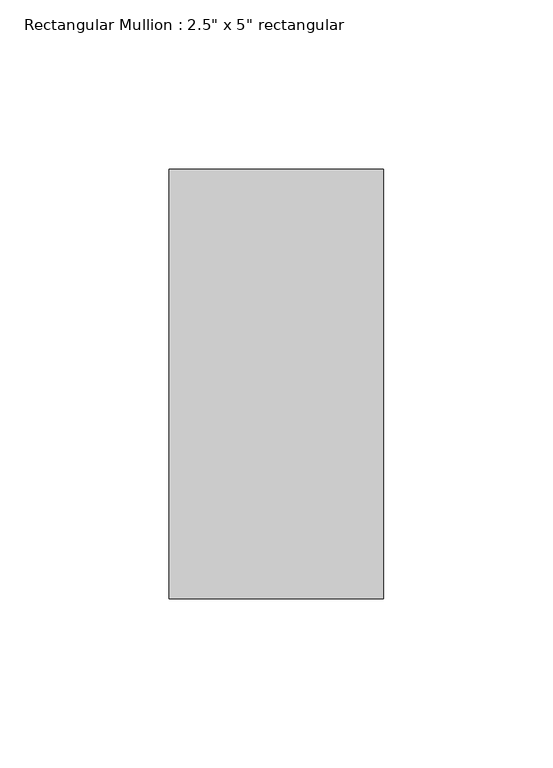
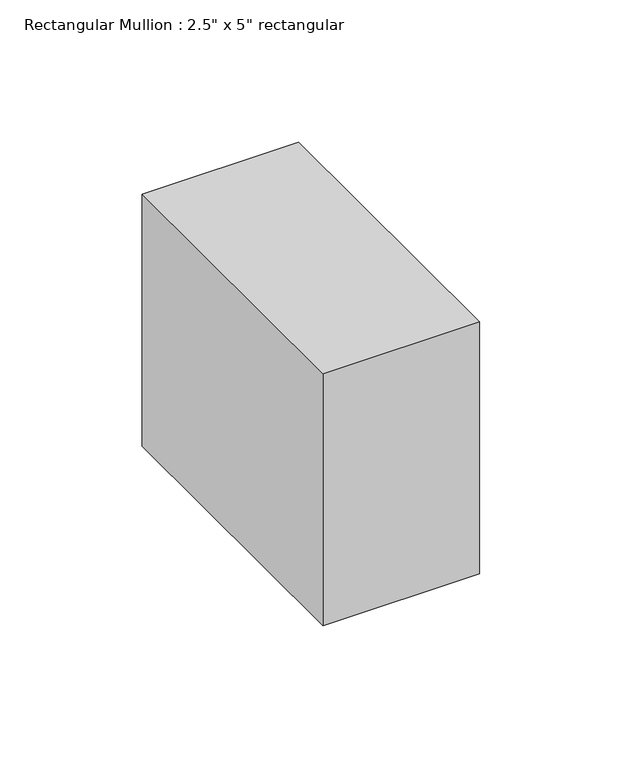
"""IFC4 building model written with IfcOpenShell, lengths in millimetres: member geometry."""

from ifc_helpers import new_model, si_unit, frame, origin, place, context, project, spatial, polyline, outline, extrude, source, transform, mapped, element, save


def member_038a5c12(model_context):
    return source(origin(), model_context, "Body", "SweptSolid", [
        extrude(outline(polyline([(31.75, 63.5), (31.75, -63.5), (-31.75, -63.5), (-31.75, 63.5), (31.75, 63.5)])), frame((0.0, 0.0, -107.95), z_axis=(0.0, 0.0, 1.0), x_axis=(1.0, 0.0, 0.0)), (0.0, 0.0, 1.0), 107.95),
    ])


if __name__ == "__main__":
    model = new_model("IFC4")
    model_context = context("Model", 3, world=origin())
    ifc_project = project(units=[si_unit("LENGTHUNIT", "METRE", prefix="MILLI")], contexts=[model_context])
    site = spatial("IfcSite", under=ifc_project)
    building = spatial("IfcBuilding", under=site)
    placement = place(None, origin())
    member_shape = member_038a5c12(model_context)
    element("IfcMember", 1, ObjectType="Rectangular Mullion : 2.5\" x 5\" rectangular", at=placement, inside=building, context=model_context, shape_type="MappedRepresentation", body=[
        mapped(member_shape, transform((0.0, 0.0, 0.0), x_axis=(1.0, 0.0, 0.0), y_axis=(0.0, 1.0, 0.0), z_axis=(0.0, 0.0, 1.0))),
    ])
    save(model, "model.ifc")
